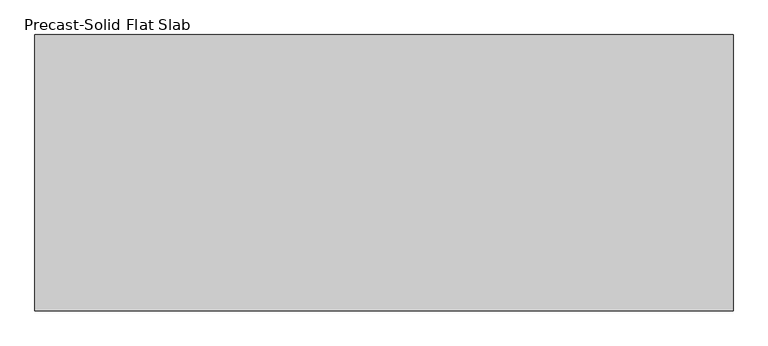
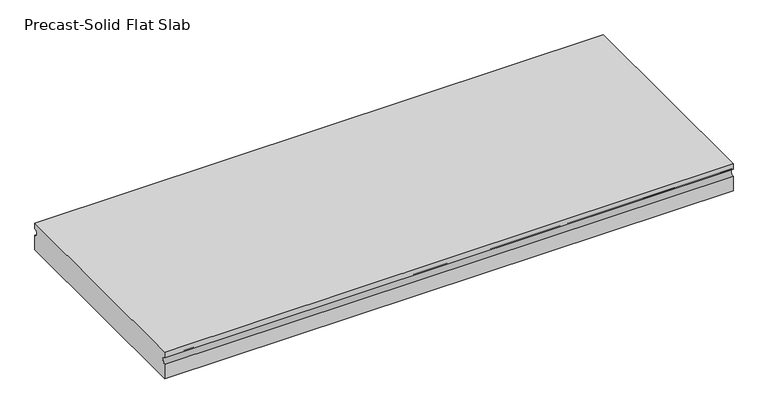
"""IFC4 building model written with IfcOpenShell, lengths in millimetres: beam geometry, Precast-Solid Flat Slab."""

from ifc_helpers import new_model, si_unit, point, frame, frame_2d, origin, place, context, project, spatial, polyline, circle_curve, trimmed, segment, composite_curve, outline, extrude, source, transform, mapped, element, save


def precast_solid_flat_slab_ed6b8f32(model_context):
    return source(origin(), model_context, "Body", "SweptSolid", [
        extrude(outline(composite_curve([segment(polyline([(-304.8, 38.1), (304.8, 38.1), (304.8, 22.225)]), True, "CONTINUOUS"), segment(trimmed(circle_curve(frame_2d((304.8, 12.7)), 9.525), [point((304.8, 22.225))], [point((304.8, 3.175))], True, "CARTESIAN"), True, "CONTINUOUS"), segment(polyline([(304.8, 3.175), (304.8, -38.1), (-304.8, -38.1), (-304.8, 3.175)]), True, "CONTINUOUS"), segment(trimmed(circle_curve(frame_2d((-304.8, 12.7)), 9.525), [point((-304.8, 3.175))], [point((-304.8, 22.225))], True, "CARTESIAN"), True, "CONTINUOUS"), segment(polyline([(-304.8, 22.225), (-304.8, 38.1)]), True, "CONTINUOUS")], self_intersect=False)), frame((-771.6738281, 0.0, 0.0), z_axis=(1.0, 0.0, 0.0), x_axis=(0.0, 1.0, 0.0)), (0.0, 0.0, 1.0), 1540.3540281),
    ])


if __name__ == "__main__":
    model = new_model("IFC4")
    model_context = context("Model", 3, world=origin())
    ifc_project = project(units=[si_unit("LENGTHUNIT", "METRE", prefix="MILLI")], contexts=[model_context])
    site = spatial("IfcSite", under=ifc_project)
    building = spatial("IfcBuilding", under=site)
    placement = place(None, origin())
    precast_solid_flat_slab_shape = precast_solid_flat_slab_ed6b8f32(model_context)
    element("IfcBeam", 1, ObjectType="Precast-Solid Flat Slab", at=placement, inside=building, context=model_context, shape_type="MappedRepresentation", body=[
        mapped(precast_solid_flat_slab_shape, transform((0.0, 0.0, 0.0), x_axis=(1.0, 0.0, 0.0), y_axis=(0.0, 1.0, 0.0), z_axis=(0.0, 0.0, 1.0))),
    ])
    save(model, "model.ifc")
